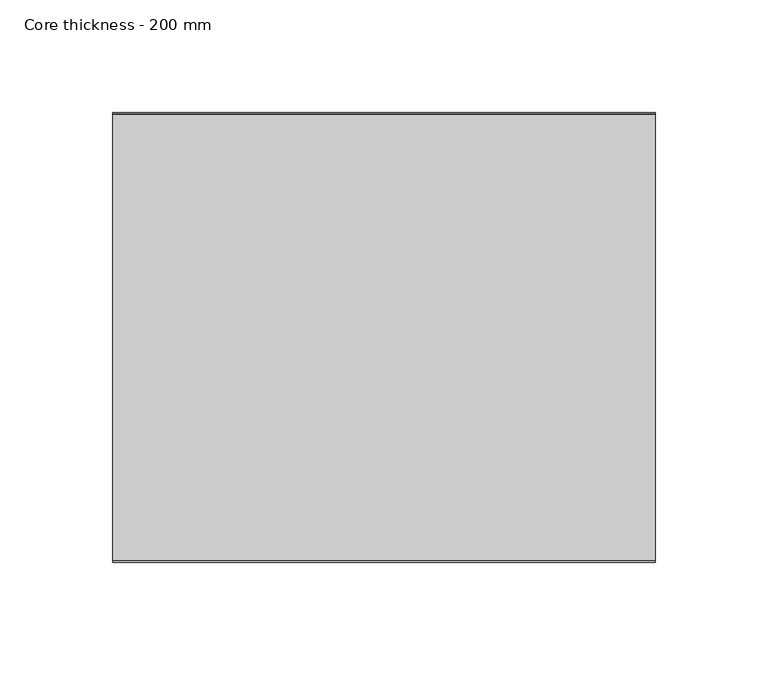
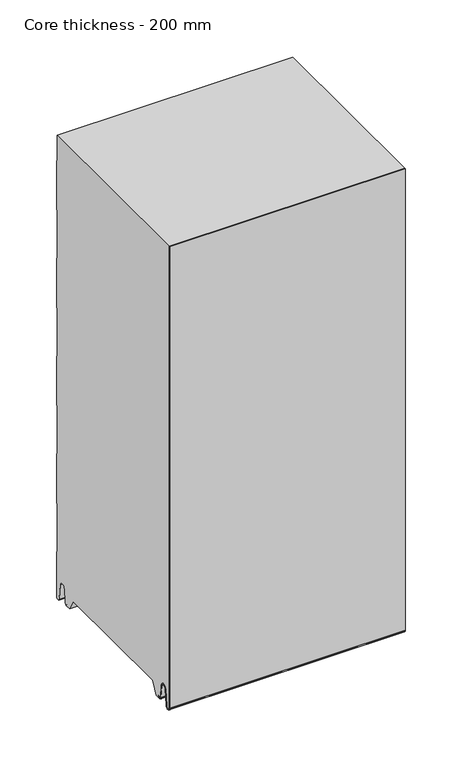
"""IFC4 building model written with IfcOpenShell, lengths in millimetres: plate geometry, Core thickness - 200 mm."""

from ifc_helpers import new_model, si_unit, frame, origin, place, context, project, spatial, polyline, circle_curve, source, transform, mapped, element, save
from ifc_brep_helpers import plane_surface, cylinder_surface, revolved_surface, advanced_brep


def core_thickness_200_mm_184da6a7(model_context):
    return source(origin(), model_context, "Body", "AdvancedBrep", [
        advanced_brep(
        [(119.9999998, -199.9996949, 3.0900682), (119.9999998, -193.81449, 2.7875612), (119.9999998, -192.197116, 19.2828169), (119.9999998, -189.1776715, 21.9898782), (119.9999998, -186.1582271, 19.2828169), (119.9999998, -184.7725998, 5.1510966), (119.9999998, -180.3830995, 5.365779), (119.9999998, -181.1830995, 5.365779), (119.9999998, -183.9764178, 5.2291629), (119.9999998, -185.3620451, 19.3608832), (119.9999998, -189.1776715, 22.7899182), (119.9999998, -192.9932979, 19.3608832), (119.9999998, -194.6106719, 2.8656275), (119.9999998, -199.1996949, 3.0900682), (119.9999998, -199.2, 500.0), (119.9999998, -199.9996949, 500.0), (-119.9999998, -199.1996949, 3.0900682), (-119.9999998, -194.6106719, 2.8656275), (-119.9999998, -192.9932979, 19.3608832), (-119.9999998, -189.1776715, 22.7899182), (-119.9999998, -185.3620451, 19.3608832), (-119.9999998, -183.9764178, 5.2291629), (-119.9999998, -181.1830995, 5.365779), (-119.9999998, -180.3830995, 5.365779), (-119.9999998, -184.7725998, 5.1510966), (-119.9999998, -186.1582271, 19.2828169), (-119.9999998, -189.1776715, 21.9898782), (-119.9999998, -192.197116, 19.2828169), (-119.9999998, -193.81449, 2.7875612), (-119.9999998, -199.9996949, 3.0900682), (-119.9999998, -199.9996949, 500.0), (-119.9999998, -199.2, 500.0)],
        [
            (0, 1, circle_curve(frame((119.9999998, -196.8996949, 3.0900682), z_axis=(1.0, 0.0, 0.0), x_axis=(0.0, 0.0, -1.0)), 3.1)),
            (1, 2),
            (2, 3, circle_curve(frame((119.9999998, -189.2114338, 18.9900682), z_axis=(-1.0, 0.0, 0.0), x_axis=(0.0, 0.0, -1.0)), 3.0)),
            (3, 4, circle_curve(frame((119.9999998, -189.1439093, 18.9900682), z_axis=(-1.0, 0.0, 0.0), x_axis=(0.0, 0.0, -1.0)), 3.0)),
            (4, 5),
            (5, 6, circle_curve(frame((119.9999998, -182.5830995, 5.365779), z_axis=(1.0, 0.0, 0.0), x_axis=(0.0, 0.0, -1.0)), 2.2)),
            (6, 7),
            (7, 8, circle_curve(frame((119.9999998, -182.5830995, 5.365779), z_axis=(-1.0, 0.0, 0.0), x_axis=(0.0, 0.0, -1.0)), 1.4)),
            (8, 9),
            (9, 10, circle_curve(frame((119.9999998, -189.1439093, 18.9900682), z_axis=(1.0, 0.0, 0.0), x_axis=(0.0, 0.0, -1.0)), 3.8)),
            (10, 11, circle_curve(frame((119.9999998, -189.2114338, 18.9900682), z_axis=(1.0, 0.0, 0.0), x_axis=(0.0, 0.0, -1.0)), 3.8)),
            (11, 12),
            (12, 13, circle_curve(frame((119.9999998, -196.8996949, 3.0900682), z_axis=(-1.0, 0.0, 0.0), x_axis=(0.0, 0.0, -1.0)), 2.3)),
            (13, 14),
            (14, 15),
            (15, 0),
            (16, 17, circle_curve(frame((-119.9999998, -196.8996949, 3.0900682), z_axis=(1.0, 0.0, 0.0), x_axis=(0.0, 0.0, -1.0)), 2.3)),
            (17, 18),
            (18, 19, circle_curve(frame((-119.9999998, -189.2114338, 18.9900682), z_axis=(-1.0, 0.0, 0.0), x_axis=(0.0, 0.0, -1.0)), 3.8)),
            (19, 20, circle_curve(frame((-119.9999998, -189.1439093, 18.9900682), z_axis=(-1.0, 0.0, 0.0), x_axis=(0.0, 0.0, -1.0)), 3.8)),
            (20, 21),
            (21, 22, circle_curve(frame((-119.9999998, -182.5830995, 5.365779), z_axis=(1.0, 0.0, 0.0), x_axis=(0.0, 0.0, -1.0)), 1.4)),
            (22, 23),
            (23, 24, circle_curve(frame((-119.9999998, -182.5830995, 5.365779), z_axis=(-1.0, 0.0, 0.0), x_axis=(0.0, 0.0, -1.0)), 2.2)),
            (24, 25),
            (25, 26, circle_curve(frame((-119.9999998, -189.1439093, 18.9900682), z_axis=(1.0, 0.0, 0.0), x_axis=(0.0, 0.0, -1.0)), 3.0)),
            (26, 27, circle_curve(frame((-119.9999998, -189.2114338, 18.9900682), z_axis=(1.0, 0.0, 0.0), x_axis=(0.0, 0.0, -1.0)), 3.0)),
            (27, 28),
            (28, 29, circle_curve(frame((-119.9999998, -196.8996949, 3.0900682), z_axis=(-1.0, 0.0, 0.0), x_axis=(0.0, 0.0, -1.0)), 3.1)),
            (29, 30),
            (30, 31),
            (31, 16),
            (13, 16),
            (31, 14),
            (12, 17),
            (11, 18),
            (10, 19),
            (9, 20),
            (8, 21),
            (7, 22),
            (6, 23),
            (5, 24),
            (4, 25),
            (3, 26),
            (2, 27),
            (1, 28),
            (0, 29),
            (15, 30),
        ],
        [
            plane_surface(frame((119.9999998, -200.0, 0.0), z_axis=(1.0, 0.0, 0.0), x_axis=(0.0, 1.0, 0.0))),
            plane_surface(frame((-119.9999998, -200.0, 0.0), z_axis=(-1.0, 0.0, 0.0), x_axis=(0.0, 1.0, 0.0))),
            plane_surface(frame((119.9999998, -199.2, 3.0900682), z_axis=(0.0, 1.0, 0.0), x_axis=(-1.0, 0.0, 0.0))),
            revolved_surface(polyline([(-119.9999998, -196.8996949, 0.7900682000000003), (119.9999998, -196.8996949, 0.7900682000000003)]), (119.9999998, -196.8996949, 3.0900682), (-1.0, 0.0, 0.0)),
            plane_surface(frame((119.9999998, -192.9932979, 19.3608832), z_axis=(0.0, -0.9952273999818314, 0.09758289975914787), x_axis=(-1.0, 0.0, 0.0))),
            cylinder_surface(frame((119.9999998, -189.2114338, 18.9900682), z_axis=(1.0, 0.0, 0.0), x_axis=(0.0, 0.0, -1.0)), 3.8),
            cylinder_surface(frame((119.9999998, -189.1439093, 18.9900682), z_axis=(1.0, 0.0, 0.0), x_axis=(0.0, 0.0, -1.0)), 3.8),
            plane_surface(frame((119.9999998, -183.9764178, 5.2291629), z_axis=(0.0, 0.9952273999818297, 0.09758289975916531), x_axis=(-1.0, 0.0, 0.0))),
            revolved_surface(polyline([(-119.9999998, -182.5830995, 3.965779), (119.9999998, -182.5830995, 3.965779)]), (119.9999998, -182.5830995, 5.365779), (-1.0, 0.0, 0.0)),
            plane_surface(frame((119.9999998, -180.3830995, 5.365779), z_axis=(0.0, 0.0, 1.0), x_axis=(-1.0, 0.0, 0.0))),
            cylinder_surface(frame((119.9999998, -182.5830995, 5.365779), z_axis=(1.0, 0.0, 0.0), x_axis=(0.0, 0.0, -1.0)), 2.2),
            plane_surface(frame((119.9999998, -186.1582271, 19.2828169), z_axis=(0.0, -0.9952273999818296, -0.09758289975916527), x_axis=(-1.0, 0.0, 0.0))),
            revolved_surface(polyline([(-119.9999998, -189.1439093, 15.9900682), (119.9999998, -189.1439093, 15.9900682)]), (119.9999998, -189.1439093, 18.9900682), (-1.0, 0.0, 0.0)),
            revolved_surface(polyline([(-119.9999998, -189.2114338, 15.9900682), (119.9999998, -189.2114338, 15.9900682)]), (119.9999998, -189.2114338, 18.9900682), (-1.0, 0.0, 0.0)),
            plane_surface(frame((119.9999998, -193.81449, 2.7875612), z_axis=(0.0, 0.9952273999818314, -0.09758289975914787), x_axis=(-1.0, 0.0, 0.0))),
            cylinder_surface(frame((119.9999998, -196.8996949, 3.0900682), z_axis=(1.0, 0.0, 0.0), x_axis=(0.0, 0.0, -1.0)), 3.1),
            plane_surface(frame((119.9999998, -199.9996949, 993.9000005), z_axis=(0.0, -1.0, 0.0), x_axis=(-1.0, 0.0, 0.0))),
            plane_surface(frame((-119.9999998, 134.0533409, 500.0), z_axis=(0.0, 0.0, 1.0), x_axis=(1.0, 0.0, 0.0))),
        ],
        [
            (0, [[1, 2, 3, 4, 5, 6, 7, 8, 9, 10, 11, 12, 13, 14, 15, 16]]),
            (1, [[17, 18, 19, 20, 21, 22, 23, 24, 25, 26, 27, 28, 29, 30, 31, 32]]),
            (2, [[33, -32, 34, -14]]),
            (3, [[-13, 35, -17, -33]]),
            (4, [[-12, 36, -18, -35]]),
            (5, [[-11, 37, -19, -36]]),
            (6, [[-10, 38, -20, -37]]),
            (7, [[-9, 39, -21, -38]]),
            (8, [[-8, 40, -22, -39]]),
            (9, [[-7, 41, -23, -40]]),
            (10, [[-6, 42, -24, -41]]),
            (11, [[-5, 43, -25, -42]]),
            (12, [[-4, 44, -26, -43]]),
            (13, [[-3, 45, -27, -44]]),
            (14, [[-2, 46, -28, -45]]),
            (15, [[-1, 47, -29, -46]]),
            (16, [[-47, -16, 48, -30]]),
            (17, [[-15, -34, -31, -48]]),
        ],
    ),
        advanced_brep(
        [(119.9999998, -169.873448, 15.1417681), (119.9999998, -30.126552, 15.1417681), (119.9999998, -23.4071318, 3.165779), (119.9999998, -17.4169005, 3.165779), (119.9999998, -19.6169005, 5.365779), (119.9999998, -18.8169005, 5.365779), (119.9999998, -16.0235822, 5.2291629), (119.9999998, -14.6379549, 19.3608832), (119.9999998, -10.8223285, 22.7899182), (119.9999998, -7.0067021, 19.3608832), (119.9999998, -5.3893281, 2.8656275), (119.9999998, -0.8003051, 3.0900682), (119.9999998, -0.8, 49.9459237), (119.9999998, -1.0986697, 50.9973395), (119.9999998, -1.5003051, 52.4177205), (119.9999998, -1.5003051, 102.5775037), (119.9999998, -1.0971009, 103.9969151), (119.9999998, -0.8, 105.0493005), (119.9999998, -0.8, 155.2090837), (119.9999998, -1.0986697, 156.2604995), (119.9999998, -1.5003051, 157.6808805), (119.9999998, -1.5003051, 207.8406637), (119.9999998, -1.0971009, 209.2600751), (119.9999998, -0.8, 210.3124605), (119.9999998, -0.8, 260.4722437), (119.9999998, -1.0986697, 261.5236595), (119.9999998, -1.5003051, 262.9440405), (119.9999998, -1.5003051, 313.1038237), (119.9999998, -1.0971009, 314.5232351), (119.9999998, -0.8, 315.5756205), (119.9999998, -0.8, 365.7354037), (119.9999998, -1.0986697, 366.7868195), (119.9999998, -1.5003051, 368.2072005), (119.9999998, -1.5003051, 418.3669837), (119.9999998, -1.0971009, 419.7863951), (119.9999998, -0.8, 420.8387805), (119.9999998, -0.8, 470.9985637), (119.9999998, -1.0986697, 472.0499795), (119.9999998, -1.5003051, 473.4703605), (119.9999998, -1.5003051, 500.0), (119.9999998, -199.2, 500.0), (119.9999998, -199.2, 3.0900682), (119.9999998, -194.6106719, 2.8656275), (119.9999998, -192.9932979, 19.3608832), (119.9999998, -189.1776715, 22.7899182), (119.9999998, -185.3620451, 19.3608832), (119.9999998, -183.9764178, 5.2291629), (119.9999998, -181.1830995, 5.365779), (119.9999998, -180.3830995, 5.365779), (119.9999998, -182.5830995, 3.165779), (119.9999998, -176.5928682, 3.165779), (-119.9999998, -30.126552, 15.1417681), (-119.9999998, -169.873448, 15.1417681), (-119.9999998, -176.5928682, 3.165779), (-119.9999998, -182.5830995, 3.165779), (-119.9999998, -180.3830995, 5.365779), (-119.9999998, -181.1830995, 5.365779), (-119.9999998, -183.9764178, 5.2291629), (-119.9999998, -185.3620451, 19.3608832), (-119.9999998, -189.1776715, 22.7899182), (-119.9999998, -192.9932979, 19.3608832), (-119.9999998, -194.6106719, 2.8656275), (-119.9999998, -199.1996949, 3.0900682), (-119.9999998, -199.2, 500.0), (-119.9999998, -1.5003051, 500.0), (-119.9999998, -1.5003051, 473.4703605), (-119.9999998, -1.0971009, 472.0509491), (-119.9999998, -0.8, 470.9985637), (-119.9999998, -0.8, 420.8387805), (-119.9999998, -1.0986697, 419.7873646), (-119.9999998, -1.5003051, 418.3669837), (-119.9999998, -1.5003051, 368.2072005), (-119.9999998, -1.0971009, 366.7877891), (-119.9999998, -0.8, 365.7354037), (-119.9999998, -0.8, 315.5756205), (-119.9999998, -1.0986697, 314.5242046), (-119.9999998, -1.5003051, 313.1038237), (-119.9999998, -1.5003051, 262.9440405), (-119.9999998, -1.0971009, 261.5246291), (-119.9999998, -0.8, 260.4722437), (-119.9999998, -0.8, 210.3124605), (-119.9999998, -1.0986697, 209.2610446), (-119.9999998, -1.5003051, 207.8406637), (-119.9999998, -1.5003051, 157.6808805), (-119.9999998, -1.0971009, 156.2614691), (-119.9999998, -0.8, 155.2090837), (-119.9999998, -0.8, 105.0493005), (-119.9999998, -1.0986697, 103.9978846), (-119.9999998, -1.5003051, 102.5775037), (-119.9999998, -1.5003051, 52.4177205), (-119.9999998, -1.0971009, 50.9983091), (-119.9999998, -0.8, 49.9459237), (-119.9999998, -0.8, 3.0900682), (-119.9999998, -5.3893281, 2.8656275), (-119.9999998, -7.0067021, 19.3608832), (-119.9999998, -10.8223285, 22.7899182), (-119.9999998, -14.6379549, 19.3608832), (-119.9999998, -16.0235822, 5.2291629), (-119.9999998, -18.8169005, 5.365779), (-119.9999998, -19.6169005, 5.365779), (-119.9999998, -17.4169005, 3.165779), (-119.9999998, -23.4071318, 3.165779)],
        [
            (0, 1),
            (1, 2),
            (2, 3),
            (3, 4, circle_curve(frame((119.9999998, -17.4169005, 5.365779), z_axis=(-1.0, 0.0, 0.0), x_axis=(0.0, 0.0, -1.0)), 2.2)),
            (4, 5),
            (5, 6, circle_curve(frame((119.9999998, -17.4169005, 5.365779), z_axis=(1.0, 0.0, 0.0), x_axis=(0.0, 0.0, -1.0)), 1.4)),
            (6, 7),
            (7, 8, circle_curve(frame((119.9999998, -10.8560907, 18.9900682), z_axis=(-1.0, 0.0, 0.0), x_axis=(0.0, 0.0, -1.0)), 3.8)),
            (8, 9, circle_curve(frame((119.9999998, -10.7885662, 18.9900682), z_axis=(-1.0, 0.0, 0.0), x_axis=(0.0, 0.0, -1.0)), 3.8)),
            (9, 10),
            (10, 11, circle_curve(frame((119.9999998, -3.1003051, 3.0900682), z_axis=(1.0, 0.0, 0.0), x_axis=(0.0, 0.0, -1.0)), 2.3)),
            (11, 12),
            (12, 13, circle_curve(frame((119.9999998, -2.8, 49.9459237), z_axis=(1.0, 0.0, 0.0), x_axis=(0.0, 0.0, -1.0)), 2.0)),
            (13, 14, circle_curve(frame((119.9999998, 1.1996949, 52.4177205), z_axis=(-1.0, 0.0, 0.0), x_axis=(0.0, 0.0, -1.0)), 2.7)),
            (14, 15),
            (15, 16, circle_curve(frame((119.9999998, 1.1996949, 102.5775037), z_axis=(-1.0, 0.0, 0.0), x_axis=(0.0, 0.0, -1.0)), 2.7)),
            (16, 17, circle_curve(frame((119.9999998, -2.8, 105.0493005), z_axis=(1.0, 0.0, 0.0), x_axis=(0.0, 0.0, -1.0)), 2.0)),
            (17, 18),
            (18, 19, circle_curve(frame((119.9999998, -2.8, 155.2090837), z_axis=(1.0, 0.0, 0.0), x_axis=(0.0, 0.0, -1.0)), 2.0)),
            (19, 20, circle_curve(frame((119.9999998, 1.1996949, 157.6808805), z_axis=(-1.0, 0.0, 0.0), x_axis=(0.0, 0.0, -1.0)), 2.7)),
            (20, 21),
            (21, 22, circle_curve(frame((119.9999998, 1.1996949, 207.8406637), z_axis=(-1.0, 0.0, 0.0), x_axis=(0.0, 0.0, -1.0)), 2.7)),
            (22, 23, circle_curve(frame((119.9999998, -2.8, 210.3124605), z_axis=(1.0, 0.0, 0.0), x_axis=(0.0, 0.0, -1.0)), 2.0)),
            (23, 24),
            (24, 25, circle_curve(frame((119.9999998, -2.8, 260.4722437), z_axis=(1.0, 0.0, 0.0), x_axis=(0.0, 0.0, -1.0)), 2.0)),
            (25, 26, circle_curve(frame((119.9999998, 1.1996949, 262.9440405), z_axis=(-1.0, 0.0, 0.0), x_axis=(0.0, 0.0, -1.0)), 2.7)),
            (26, 27),
            (27, 28, circle_curve(frame((119.9999998, 1.1996949, 313.1038237), z_axis=(-1.0, 0.0, 0.0), x_axis=(0.0, 0.0, -1.0)), 2.7)),
            (28, 29, circle_curve(frame((119.9999998, -2.8, 315.5756205), z_axis=(1.0, 0.0, 0.0), x_axis=(0.0, 0.0, -1.0)), 2.0)),
            (29, 30),
            (30, 31, circle_curve(frame((119.9999998, -2.8, 365.7354037), z_axis=(1.0, 0.0, 0.0), x_axis=(0.0, 0.0, -1.0)), 2.0)),
            (31, 32, circle_curve(frame((119.9999998, 1.1996949, 368.2072005), z_axis=(-1.0, 0.0, 0.0), x_axis=(0.0, 0.0, -1.0)), 2.7)),
            (32, 33),
            (33, 34, circle_curve(frame((119.9999998, 1.1996949, 418.3669837), z_axis=(-1.0, 0.0, 0.0), x_axis=(0.0, 0.0, -1.0)), 2.7)),
            (34, 35, circle_curve(frame((119.9999998, -2.8, 420.8387805), z_axis=(1.0, 0.0, 0.0), x_axis=(0.0, 0.0, -1.0)), 2.0)),
            (35, 36),
            (36, 37, circle_curve(frame((119.9999998, -2.8, 470.9985637), z_axis=(1.0, 0.0, 0.0), x_axis=(0.0, 0.0, -1.0)), 2.0)),
            (37, 38, circle_curve(frame((119.9999998, 1.1996949, 473.4703605), z_axis=(-1.0, 0.0, 0.0), x_axis=(0.0, 0.0, -1.0)), 2.7)),
            (38, 39),
            (39, 40),
            (40, 41),
            (41, 42, circle_curve(frame((119.9999998, -196.8996949, 3.0900682), z_axis=(1.0, 0.0, 0.0), x_axis=(0.0, 0.0, -1.0)), 2.3)),
            (42, 43),
            (43, 44, circle_curve(frame((119.9999998, -189.2114338, 18.9900682), z_axis=(-1.0, 0.0, 0.0), x_axis=(0.0, 0.0, -1.0)), 3.8)),
            (44, 45, circle_curve(frame((119.9999998, -189.1439093, 18.9900682), z_axis=(-1.0, 0.0, 0.0), x_axis=(0.0, 0.0, -1.0)), 3.8)),
            (45, 46),
            (46, 47, circle_curve(frame((119.9999998, -182.5830995, 5.365779), z_axis=(1.0, 0.0, 0.0), x_axis=(0.0, 0.0, -1.0)), 1.4)),
            (47, 48),
            (48, 49, circle_curve(frame((119.9999998, -182.5830995, 5.365779), z_axis=(-1.0, 0.0, 0.0), x_axis=(0.0, 0.0, -1.0)), 2.2)),
            (49, 50),
            (50, 0),
            (51, 52),
            (52, 53),
            (53, 54),
            (54, 55, circle_curve(frame((-119.9999998, -182.5830995, 5.365779), z_axis=(1.0, 0.0, 0.0), x_axis=(0.0, 0.0, -1.0)), 2.2)),
            (55, 56),
            (56, 57, circle_curve(frame((-119.9999998, -182.5830995, 5.365779), z_axis=(-1.0, 0.0, 0.0), x_axis=(0.0, 0.0, -1.0)), 1.4)),
            (57, 58),
            (58, 59, circle_curve(frame((-119.9999998, -189.1439093, 18.9900682), z_axis=(1.0, 0.0, 0.0), x_axis=(0.0, 0.0, -1.0)), 3.8)),
            (59, 60, circle_curve(frame((-119.9999998, -189.2114338, 18.9900682), z_axis=(1.0, 0.0, 0.0), x_axis=(0.0, 0.0, -1.0)), 3.8)),
            (60, 61),
            (61, 62, circle_curve(frame((-119.9999998, -196.8996949, 3.0900682), z_axis=(-1.0, 0.0, 0.0), x_axis=(0.0, 0.0, -1.0)), 2.3)),
            (62, 63),
            (63, 64),
            (64, 65),
            (65, 66, circle_curve(frame((-119.9999998, 1.1996949, 473.4703605), z_axis=(1.0, 0.0, 0.0), x_axis=(0.0, 0.0, -1.0)), 2.7)),
            (66, 67, circle_curve(frame((-119.9999998, -2.8, 470.9985637), z_axis=(-1.0, 0.0, 0.0), x_axis=(0.0, 0.0, -1.0)), 2.0)),
            (67, 68),
            (68, 69, circle_curve(frame((-119.9999998, -2.8, 420.8387805), z_axis=(-1.0, 0.0, 0.0), x_axis=(0.0, 0.0, -1.0)), 2.0)),
            (69, 70, circle_curve(frame((-119.9999998, 1.1996949, 418.3669837), z_axis=(1.0, 0.0, 0.0), x_axis=(0.0, 0.0, -1.0)), 2.7)),
            (70, 71),
            (71, 72, circle_curve(frame((-119.9999998, 1.1996949, 368.2072005), z_axis=(1.0, 0.0, 0.0), x_axis=(0.0, 0.0, -1.0)), 2.7)),
            (72, 73, circle_curve(frame((-119.9999998, -2.8, 365.7354037), z_axis=(-1.0, 0.0, 0.0), x_axis=(0.0, 0.0, -1.0)), 2.0)),
            (73, 74),
            (74, 75, circle_curve(frame((-119.9999998, -2.8, 315.5756205), z_axis=(-1.0, 0.0, 0.0), x_axis=(0.0, 0.0, -1.0)), 2.0)),
            (75, 76, circle_curve(frame((-119.9999998, 1.1996949, 313.1038237), z_axis=(1.0, 0.0, 0.0), x_axis=(0.0, 0.0, -1.0)), 2.7)),
            (76, 77),
            (77, 78, circle_curve(frame((-119.9999998, 1.1996949, 262.9440405), z_axis=(1.0, 0.0, 0.0), x_axis=(0.0, 0.0, -1.0)), 2.7)),
            (78, 79, circle_curve(frame((-119.9999998, -2.8, 260.4722437), z_axis=(-1.0, 0.0, 0.0), x_axis=(0.0, 0.0, -1.0)), 2.0)),
            (79, 80),
            (80, 81, circle_curve(frame((-119.9999998, -2.8, 210.3124605), z_axis=(-1.0, 0.0, 0.0), x_axis=(0.0, 0.0, -1.0)), 2.0)),
            (81, 82, circle_curve(frame((-119.9999998, 1.1996949, 207.8406637), z_axis=(1.0, 0.0, 0.0), x_axis=(0.0, 0.0, -1.0)), 2.7)),
            (82, 83),
            (83, 84, circle_curve(frame((-119.9999998, 1.1996949, 157.6808805), z_axis=(1.0, 0.0, 0.0), x_axis=(0.0, 0.0, -1.0)), 2.7)),
            (84, 85, circle_curve(frame((-119.9999998, -2.8, 155.2090837), z_axis=(-1.0, 0.0, 0.0), x_axis=(0.0, 0.0, -1.0)), 2.0)),
            (85, 86),
            (86, 87, circle_curve(frame((-119.9999998, -2.8, 105.0493005), z_axis=(-1.0, 0.0, 0.0), x_axis=(0.0, 0.0, -1.0)), 2.0)),
            (87, 88, circle_curve(frame((-119.9999998, 1.1996949, 102.5775037), z_axis=(1.0, 0.0, 0.0), x_axis=(0.0, 0.0, -1.0)), 2.7)),
            (88, 89),
            (89, 90, circle_curve(frame((-119.9999998, 1.1996949, 52.4177205), z_axis=(1.0, 0.0, 0.0), x_axis=(0.0, 0.0, -1.0)), 2.7)),
            (90, 91, circle_curve(frame((-119.9999998, -2.8, 49.9459237), z_axis=(-1.0, 0.0, 0.0), x_axis=(0.0, 0.0, -1.0)), 2.0)),
            (91, 92),
            (92, 93, circle_curve(frame((-119.9999998, -3.1003051, 3.0900682), z_axis=(-1.0, 0.0, 0.0), x_axis=(0.0, 0.0, -1.0)), 2.3)),
            (93, 94),
            (94, 95, circle_curve(frame((-119.9999998, -10.7885662, 18.9900682), z_axis=(1.0, 0.0, 0.0), x_axis=(0.0, 0.0, -1.0)), 3.8)),
            (95, 96, circle_curve(frame((-119.9999998, -10.8560907, 18.9900682), z_axis=(1.0, 0.0, 0.0), x_axis=(0.0, 0.0, -1.0)), 3.8)),
            (96, 97),
            (97, 98, circle_curve(frame((-119.9999998, -17.4169005, 5.365779), z_axis=(-1.0, 0.0, 0.0), x_axis=(0.0, 0.0, -1.0)), 1.4)),
            (98, 99),
            (99, 100, circle_curve(frame((-119.9999998, -17.4169005, 5.365779), z_axis=(1.0, 0.0, 0.0), x_axis=(0.0, 0.0, -1.0)), 2.2)),
            (100, 101),
            (101, 51),
            (1, 51),
            (101, 2),
            (0, 52),
            (50, 53),
            (99, 4),
            (3, 100),
            (98, 5),
            (97, 6),
            (96, 7),
            (95, 8),
            (94, 9),
            (93, 10),
            (92, 11),
            (91, 12),
            (90, 13),
            (89, 14),
            (88, 15),
            (87, 16),
            (86, 17),
            (85, 18),
            (84, 19),
            (83, 20),
            (82, 21),
            (81, 22),
            (80, 23),
            (79, 24),
            (78, 25),
            (77, 26),
            (76, 27),
            (75, 28),
            (74, 29),
            (73, 30),
            (72, 31),
            (71, 32),
            (70, 33),
            (69, 34),
            (68, 35),
            (67, 36),
            (66, 37),
            (65, 38),
            (64, 39),
            (62, 41),
            (40, 63),
            (61, 42),
            (60, 43),
            (59, 44),
            (58, 45),
            (57, 46),
            (56, 47),
            (55, 48),
            (54, 49),
        ],
        [
            plane_surface(frame((119.9999998, 0.0, 0.0), z_axis=(1.0, 0.0, 0.0), x_axis=(0.0, -1.0, 0.0))),
            plane_surface(frame((-119.9999998, 0.0, 0.0), z_axis=(-1.0, 0.0, 0.0), x_axis=(0.0, -1.0, 0.0))),
            plane_surface(frame((119.9999998, -30.126552, 15.1417681), z_axis=(0.0, -0.8721062992196836, -0.4893164649399687), x_axis=(-1.0, 0.0, 0.0))),
            plane_surface(frame((119.9999998, -169.873448, 15.1417681), z_axis=(0.0, 0.0, -1.0), x_axis=(-1.0, 0.0, 0.0))),
            plane_surface(frame((119.9999998, -176.8190247, 2.7627014), z_axis=(0.0, 0.8721062992196872, -0.4893164649399624), x_axis=(-1.0, 0.0, 0.0))),
            revolved_surface(polyline([(119.99999980000001, -17.4169005, 3.1657789999999997), (-119.99999980000001, -17.4169005, 3.1657789999999997)]), (249.9999998, -17.4169005, 5.365779), (1.0, 0.0, 0.0)),
            plane_surface(frame((249.9999998, -18.8169005, 5.365779), z_axis=(0.0, 0.0, -1.0), x_axis=(-1.0, 0.0, 0.0))),
            cylinder_surface(frame((249.9999998, -17.4169005, 5.365779), z_axis=(-1.0, 0.0, 0.0), x_axis=(0.0, 0.0, -1.0)), 1.4),
            plane_surface(frame((249.9999998, -14.6379549, 19.3608832), z_axis=(0.0, 0.9952273999818297, -0.09758289975916531), x_axis=(-1.0, 0.0, 0.0))),
            revolved_surface(polyline([(119.99999980000001, -10.8560907, 15.190068199999999), (-119.99999980000001, -10.8560907, 15.190068199999999)]), (249.9999998, -10.8560907, 18.9900682), (1.0, 0.0, 0.0)),
            revolved_surface(polyline([(119.99999980000001, -10.7885662, 15.190068199999999), (-119.99999980000001, -10.7885662, 15.190068199999999)]), (249.9999998, -10.7885662, 18.9900682), (1.0, 0.0, 0.0)),
            plane_surface(frame((249.9999998, -5.3893281, 2.8656275), z_axis=(0.0, -0.9952273999818314, -0.09758289975914787), x_axis=(-1.0, 0.0, 0.0))),
            cylinder_surface(frame((249.9999998, -3.1003051, 3.0900682), z_axis=(-1.0, 0.0, 0.0), x_axis=(0.0, 0.0, -1.0)), 2.3),
            plane_surface(frame((249.9999998, -0.8, 49.9459237), z_axis=(0.0, 1.0, 0.0), x_axis=(-1.0, 0.0, 0.0))),
            cylinder_surface(frame((249.9999998, -2.8, 49.9459237), z_axis=(-1.0, 0.0, 0.0), x_axis=(0.0, 0.0, -1.0)), 2.0),
            revolved_surface(polyline([(119.99999980000001, 1.1996949, 49.7177205), (-119.99999980000001, 1.1996949, 49.7177205)]), (249.9999998, 1.1996949, 52.4177205), (1.0, 0.0, 0.0)),
            plane_surface(frame((249.9999998, -1.5003051, 102.5775037), z_axis=(0.0, 1.0, 0.0), x_axis=(-1.0, 0.0, 0.0))),
            revolved_surface(polyline([(119.99999980000001, 1.1996949, 99.87750369999999), (-119.99999980000001, 1.1996949, 99.87750369999999)]), (249.9999998, 1.1996949, 102.5775037), (1.0, 0.0, 0.0)),
            cylinder_surface(frame((249.9999998, -2.8, 105.0493005), z_axis=(-1.0, 0.0, 0.0), x_axis=(0.0, 0.0, -1.0)), 2.0),
            plane_surface(frame((249.9999998, -0.8, 155.2090837), z_axis=(0.0, 1.0, 0.0), x_axis=(-1.0, 0.0, 0.0))),
            cylinder_surface(frame((249.9999998, -2.8, 155.2090837), z_axis=(-1.0, 0.0, 0.0), x_axis=(0.0, 0.0, -1.0)), 2.0),
            revolved_surface(polyline([(119.99999980000001, 1.1996949, 154.9808805), (-119.99999980000001, 1.1996949, 154.9808805)]), (249.9999998, 1.1996949, 157.6808805), (1.0, 0.0, 0.0)),
            plane_surface(frame((249.9999998, -1.5003051, 207.8406637), z_axis=(0.0, 1.0, 0.0), x_axis=(-1.0, 0.0, 0.0))),
            revolved_surface(polyline([(119.99999980000001, 1.1996949, 205.1406637), (-119.99999980000001, 1.1996949, 205.1406637)]), (249.9999998, 1.1996949, 207.8406637), (1.0, 0.0, 0.0)),
            cylinder_surface(frame((249.9999998, -2.8, 210.3124605), z_axis=(-1.0, 0.0, 0.0), x_axis=(0.0, 0.0, -1.0)), 2.0),
            plane_surface(frame((249.9999998, -0.8, 260.4722437), z_axis=(0.0, 1.0, 0.0), x_axis=(-1.0, 0.0, 0.0))),
            cylinder_surface(frame((249.9999998, -2.8, 260.4722437), z_axis=(-1.0, 0.0, 0.0), x_axis=(0.0, 0.0, -1.0)), 2.0),
            revolved_surface(polyline([(119.99999980000001, 1.1996949, 260.24404050000004), (-119.99999980000001, 1.1996949, 260.24404050000004)]), (249.9999998, 1.1996949, 262.9440405), (1.0, 0.0, 0.0)),
            plane_surface(frame((249.9999998, -1.5003051, 313.1038237), z_axis=(0.0, 1.0, 0.0), x_axis=(-1.0, 0.0, 0.0))),
            revolved_surface(polyline([(119.99999980000001, 1.1996949, 310.40382370000003), (-119.99999980000001, 1.1996949, 310.40382370000003)]), (249.9999998, 1.1996949, 313.1038237), (1.0, 0.0, 0.0)),
            cylinder_surface(frame((249.9999998, -2.8, 315.5756205), z_axis=(-1.0, 0.0, 0.0), x_axis=(0.0, 0.0, -1.0)), 2.0),
            plane_surface(frame((249.9999998, -0.8, 365.7354037), z_axis=(0.0, 1.0, 0.0), x_axis=(-1.0, 0.0, 0.0))),
            cylinder_surface(frame((249.9999998, -2.8, 365.7354037), z_axis=(-1.0, 0.0, 0.0), x_axis=(0.0, 0.0, -1.0)), 2.0),
            revolved_surface(polyline([(119.99999980000001, 1.1996949, 365.5072005), (-119.99999980000001, 1.1996949, 365.5072005)]), (249.9999998, 1.1996949, 368.2072005), (1.0, 0.0, 0.0)),
            plane_surface(frame((249.9999998, -1.5003051, 418.3669837), z_axis=(0.0, 1.0, 0.0), x_axis=(-1.0, 0.0, 0.0))),
            revolved_surface(polyline([(119.99999980000001, 1.1996949, 415.6669837), (-119.99999980000001, 1.1996949, 415.6669837)]), (249.9999998, 1.1996949, 418.3669837), (1.0, 0.0, 0.0)),
            cylinder_surface(frame((249.9999998, -2.8, 420.8387805), z_axis=(-1.0, 0.0, 0.0), x_axis=(0.0, 0.0, -1.0)), 2.0),
            plane_surface(frame((249.9999998, -0.8, 470.9985637), z_axis=(0.0, 1.0, 0.0), x_axis=(-1.0, 0.0, 0.0))),
            cylinder_surface(frame((249.9999998, -2.8, 470.9985637), z_axis=(-1.0, 0.0, 0.0), x_axis=(0.0, 0.0, -1.0)), 2.0),
            revolved_surface(polyline([(119.99999980000001, 1.1996949, 470.77036050000004), (-119.99999980000001, 1.1996949, 470.77036050000004)]), (249.9999998, 1.1996949, 473.4703605), (1.0, 0.0, 0.0)),
            plane_surface(frame((249.9999998, -1.5003051, 523.6301437), z_axis=(0.0, 1.0, 0.0), x_axis=(-1.0, 0.0, 0.0))),
            plane_surface(frame((249.9999998, -199.2, 3.0900682), z_axis=(0.0, -1.0, 0.0), x_axis=(-1.0, 0.0, 0.0))),
            cylinder_surface(frame((249.9999998, -196.8996949, 3.0900682), z_axis=(-1.0, 0.0, 0.0), x_axis=(0.0, 0.0, -1.0)), 2.3),
            plane_surface(frame((249.9999998, -192.9932979, 19.3608832), z_axis=(0.0, 0.9952273999818314, -0.09758289975914787), x_axis=(-1.0, 0.0, 0.0))),
            revolved_surface(polyline([(119.99999980000001, -189.2114338, 15.190068199999999), (-119.99999980000001, -189.2114338, 15.190068199999999)]), (249.9999998, -189.2114338, 18.9900682), (1.0, 0.0, 0.0)),
            revolved_surface(polyline([(119.99999980000001, -189.1439093, 15.190068199999999), (-119.99999980000001, -189.1439093, 15.190068199999999)]), (249.9999998, -189.1439093, 18.9900682), (1.0, 0.0, 0.0)),
            plane_surface(frame((249.9999998, -183.9764178, 5.2291629), z_axis=(0.0, -0.9952273999818297, -0.09758289975916531), x_axis=(-1.0, 0.0, 0.0))),
            cylinder_surface(frame((249.9999998, -182.5830995, 5.365779), z_axis=(-1.0, 0.0, 0.0), x_axis=(0.0, 0.0, -1.0)), 1.4),
            plane_surface(frame((249.9999998, -180.3830995, 5.365779), z_axis=(0.0, 0.0, -1.0), x_axis=(-1.0, 0.0, 0.0))),
            revolved_surface(polyline([(119.99999980000001, -182.5830995, 3.1657789999999997), (-119.99999980000001, -182.5830995, 3.1657789999999997)]), (249.9999998, -182.5830995, 5.365779), (1.0, 0.0, 0.0)),
            plane_surface(frame((-119.9999998, -182.5830995, 3.165779), z_axis=(0.0, 0.0, -1.0), x_axis=(1.0, 0.0, 0.0))),
            plane_surface(frame((-119.9999998, 134.0533409, 500.0), z_axis=(0.0, 0.0, 1.0), x_axis=(1.0, 0.0, 0.0))),
        ],
        [
            (0, [[1, 2, 3, 4, 5, 6, 7, 8, 9, 10, 11, 12, 13, 14, 15, 16, 17, 18, 19, 20, 21, 22, 23, 24, 25, 26, 27, 28, 29, 30, 31, 32, 33, 34, 35, 36, 37, 38, 39, 40, 41, 42, 43, 44, 45, 46, 47, 48, 49, 50, 51]]),
            (1, [[52, 53, 54, 55, 56, 57, 58, 59, 60, 61, 62, 63, 64, 65, 66, 67, 68, 69, 70, 71, 72, 73, 74, 75, 76, 77, 78, 79, 80, 81, 82, 83, 84, 85, 86, 87, 88, 89, 90, 91, 92, 93, 94, 95, 96, 97, 98, 99, 100, 101, 102]]),
            (2, [[103, -102, 104, -2]]),
            (3, [[-1, 105, -52, -103]]),
            (4, [[-105, -51, 106, -53]]),
            (5, [[107, -4, 108, -100]]),
            (6, [[-107, -99, 109, -5]]),
            (7, [[-109, -98, 110, -6]]),
            (8, [[-110, -97, 111, -7]]),
            (9, [[-111, -96, 112, -8]]),
            (10, [[-112, -95, 113, -9]]),
            (11, [[-113, -94, 114, -10]]),
            (12, [[-114, -93, 115, -11]]),
            (13, [[-115, -92, 116, -12]]),
            (14, [[-116, -91, 117, -13]]),
            (15, [[-117, -90, 118, -14]]),
            (16, [[-118, -89, 119, -15]]),
            (17, [[-119, -88, 120, -16]]),
            (18, [[-120, -87, 121, -17]]),
            (19, [[-121, -86, 122, -18]]),
            (20, [[-122, -85, 123, -19]]),
            (21, [[-123, -84, 124, -20]]),
            (22, [[-124, -83, 125, -21]]),
            (23, [[-125, -82, 126, -22]]),
            (24, [[-126, -81, 127, -23]]),
            (25, [[-127, -80, 128, -24]]),
            (26, [[-128, -79, 129, -25]]),
            (27, [[-129, -78, 130, -26]]),
            (28, [[-130, -77, 131, -27]]),
            (29, [[-131, -76, 132, -28]]),
            (30, [[-132, -75, 133, -29]]),
            (31, [[-133, -74, 134, -30]]),
            (32, [[-134, -73, 135, -31]]),
            (33, [[-135, -72, 136, -32]]),
            (34, [[-136, -71, 137, -33]]),
            (35, [[-137, -70, 138, -34]]),
            (36, [[-138, -69, 139, -35]]),
            (37, [[-139, -68, 140, -36]]),
            (38, [[-140, -67, 141, -37]]),
            (39, [[-141, -66, 142, -38]]),
            (40, [[-142, -65, 143, -39]]),
            (41, [[144, -41, 145, -63]]),
            (42, [[-144, -62, 146, -42]]),
            (43, [[-146, -61, 147, -43]]),
            (44, [[-147, -60, 148, -44]]),
            (45, [[-148, -59, 149, -45]]),
            (46, [[-149, -58, 150, -46]]),
            (47, [[-150, -57, 151, -47]]),
            (48, [[-151, -56, 152, -48]]),
            (49, [[-152, -55, 153, -49]]),
            (50, [[-3, -104, -101, -108]]),
            (50, [[-50, -153, -54, -106]]),
            (51, [[-143, -64, -145, -40]]),
        ],
    ),
    ])


if __name__ == "__main__":
    model = new_model("IFC4")
    model_context = context("Model", 3, world=origin())
    ifc_project = project(units=[si_unit("LENGTHUNIT", "METRE", prefix="MILLI")], contexts=[model_context])
    site = spatial("IfcSite", under=ifc_project)
    building = spatial("IfcBuilding", under=site)
    placement = place(None, origin())
    core_thickness_200_mm_shape = core_thickness_200_mm_184da6a7(model_context)
    element("IfcPlate", 1, ObjectType="Core thickness - 200 mm", at=placement, inside=building, context=model_context, shape_type="MappedRepresentation", body=[
        mapped(core_thickness_200_mm_shape, transform((0.0, 0.0, 0.0), x_axis=(1.0, 0.0, 0.0), y_axis=(0.0, 1.0, 0.0), z_axis=(0.0, 0.0, 1.0))),
    ])
    save(model, "model.ifc")
